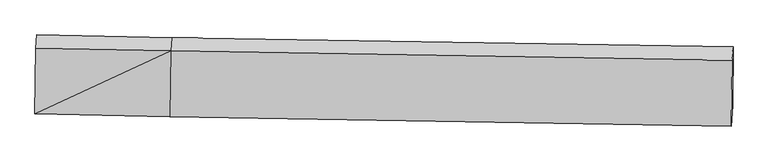
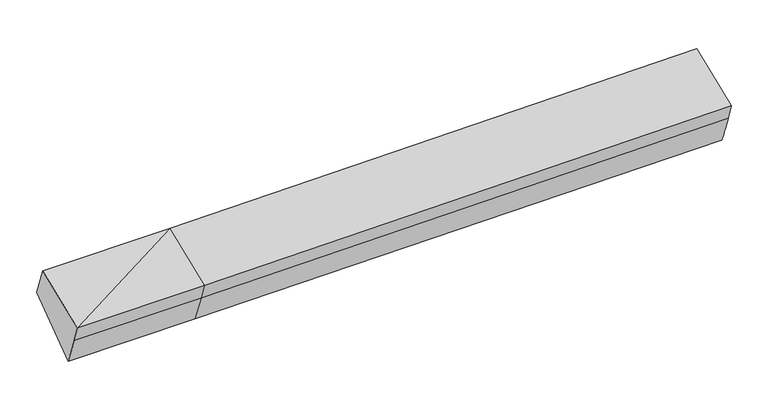
"""IFC4 building model written with IfcOpenShell, lengths in millimetres: proxy geometry."""

from ifc_helpers import new_model, si_unit, frame, origin, place, context, project, spatial, source, transform, mapped, element, save
from ifc_brep_helpers import plane_surface, spline_surface, advanced_brep


def generic_models_619c78e7(model_context):
    return source(origin(), model_context, "Body", "AdvancedBrep", [
        advanced_brep(
        [(-2791.3477338, -1887.2733027, 1989.8535985), (-2786.2327062, -1823.146022, 1805.3436529), (-1434.1290485, -1850.4555872, 1833.3354197), (-1439.2440761, -1914.5828678, 2017.8453653), (-2783.0896863, -1227.9044785, 2234.2590244), (-1430.9860286, -1255.2140437, 2262.2507912), (-2773.6837205, -1096.6321381, 1907.9898619), (-1421.5800627, -1123.9417033, 1935.9816287), (-2776.8374885, -1689.5471024, 1481.8635405), (-1424.7338307, -1716.8566676, 1509.8553073), (4203.7053972, -1213.9440967, 2060.6463537), (4193.9067795, -1350.1391275, 2401.0793061), (4185.648732, -2009.5079516, 2156.6738802), (4190.7637596, -1945.380671, 1972.1639346), (4200.5516292, -1806.8590611, 1634.5200323)],
        [
            (0, 1),
            (1, 2),
            (2, 3),
            (3, 0),
            (4, 0),
            (0, 5),
            (5, 4),
            (6, 4),
            (5, 7),
            (7, 6),
            (8, 6),
            (7, 9),
            (9, 8),
            (1, 8),
            (9, 2),
            (10, 11),
            (11, 12),
            (12, 13),
            (13, 14),
            (14, 10),
            (3, 5),
            (5, 11),
            (10, 7),
            (3, 12),
            (2, 13),
            (9, 14),
        ],
        [
            plane_surface(frame((-2788.79022, -1855.2096623, 1897.5986257), z_axis=(-0.012272631719847021, -0.944399649580288, -0.32857066878115965), x_axis=(0.026176791706277687, 0.32817935699805584, -0.9442526596289306))),
            plane_surface(frame((-2787.2187101, -1557.5888906, 2112.0563114), z_axis=(-0.026418811473951403, -0.34714564963532923, 0.9374390349988468), x_axis=(-0.011742585476370273, -0.9375938813933742, -0.34753391958201363))),
            plane_surface(frame((-2778.3867034, -1162.2683083, 2071.1244431), z_axis=(0.011002038908255305, 0.9275590147543172, 0.3735146975526694), x_axis=(-0.026735688755430993, -0.3731308920942199, 0.9273934118332654))),
            plane_surface(frame((-2775.2606045, -1393.0896203, 1694.9267012), z_axis=(0.02858646511998657, 0.5832689981643625, -0.8117758864318926), x_axis=(0.00431925054954549, 0.8120281179044039, 0.5836023301935334))),
            plane_surface(frame((-2781.5350973, -1756.3465622, 1643.6035967), z_axis=(-0.010757239986826522, -0.9241102068073491, -0.3819746162539396), x_axis=(0.02683512066736191, 0.38159234028149214, -0.9239411031755552))),
            plane_surface(frame((4194.9152595, -1665.1661816, 2045.0167014), z_axis=(0.9995819916778383, -0.02018939109960074, 0.020693728528069267), x_axis=(-0.026714041558088528, -0.3713094853788766, 0.9281247901286263))),
            plane_surface(frame((-2782.2382671, -1544.9006087, 1883.8619356), z_axis=(-0.9995819916778383, 0.02018939109960171, -0.020693728528071886), x_axis=(-0.026176791706301224, -0.3281793569980556, 0.9442526596289299))),
            plane_surface(frame((-2791.3477338, -1887.2733027, 1989.8535985), z_axis=(-0.0264188114739514, -0.34714564963532923, 0.9374390349988468), x_axis=(-0.011742585476369888, -0.9375938813933742, -0.34753391958201363))),
            spline_surface(1, 1, [[(-1421.5800627, -1123.9417033, 1935.9816287), (4203.7053972, -1213.9440967, 2060.6463537)], [(-1430.9860286, -1255.2140437, 2262.2507912), (4193.9067795, -1350.1391275, 2401.0793061)]], [2, 2], [2, 2], [0.0, 1.0], [0.0, 1.0]),
            plane_surface(frame((-1435.1150523, -1584.8984558, 2140.0480783), z_axis=(-0.028993125503824886, -0.34709250097252525, 0.9373826296887291), x_axis=(-0.011742585476370273, -0.9375938813933742, -0.34753391958201363))),
            plane_surface(frame((-1436.6865623, -1882.5192275, 1925.5903925), z_axis=(-0.007831807981934464, -0.9444800226141379, -0.32847549325106734), x_axis=(0.02617679170629844, 0.3281793569980569, -0.9442526596289296))),
            spline_surface(1, 1, [[(-1434.1290485, -1850.4555872, 1833.3354197), (4190.7637596, -1945.380671, 1972.1639346)], [(-1424.7338307, -1716.8566676, 1509.8553073), (4200.5516292, -1806.8590611, 1634.5200323)]], [2, 2], [2, 2], [0.0, 1.0], [0.0, 1.0]),
            plane_surface(frame((-1423.1569467, -1420.3991854, 1722.918468), z_axis=(0.027323210257647678, 0.5832940469484984, -0.8118013901045377), x_axis=(0.004319250549545506, 0.8120281179044068, 0.5836023301935295))),
        ],
        [
            (0, [[1, 2, 3, 4]]),
            (1, [[5, 6, 7]]),
            (2, [[8, -7, 9, 10]]),
            (3, [[11, -10, 12, 13]]),
            (4, [[14, -13, 15, -2]]),
            (5, [[16, 17, 18, 19, 20]]),
            (6, [[-1, -5, -8, -11, -14]]),
            (7, [[21, -6, -4]]),
            (8, [[-9, 22, -16, 23]]),
            (9, [[-21, 24, -17, -22]]),
            (10, [[-3, 25, -18, -24]]),
            (11, [[-15, 26, -19, -25]]),
            (12, [[-12, -23, -20, -26]]),
        ],
    ),
    ])


if __name__ == "__main__":
    model = new_model("IFC4")
    model_context = context("Model", 3, world=origin())
    ifc_project = project(units=[si_unit("LENGTHUNIT", "METRE", prefix="MILLI")], contexts=[model_context])
    site = spatial("IfcSite", under=ifc_project)
    building = spatial("IfcBuilding", under=site)
    placement = place(None, origin())
    generic_models_shape = generic_models_619c78e7(model_context)
    element("IfcBuildingElementProxy", 1, Name="Generic Models", at=placement, inside=building, context=model_context, shape_type="MappedRepresentation", body=[
        mapped(generic_models_shape, transform((0.0, 0.0, 0.0), x_axis=(1.0, 0.0, 0.0), y_axis=(0.0, 1.0, 0.0), z_axis=(0.0, 0.0, 1.0))),
    ])
    save(model, "model.ifc")
